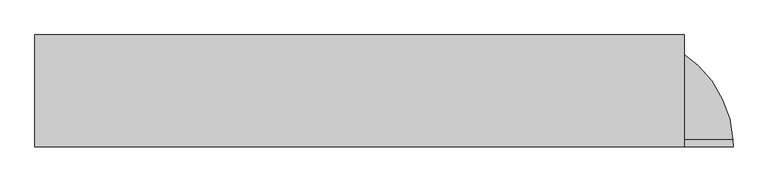
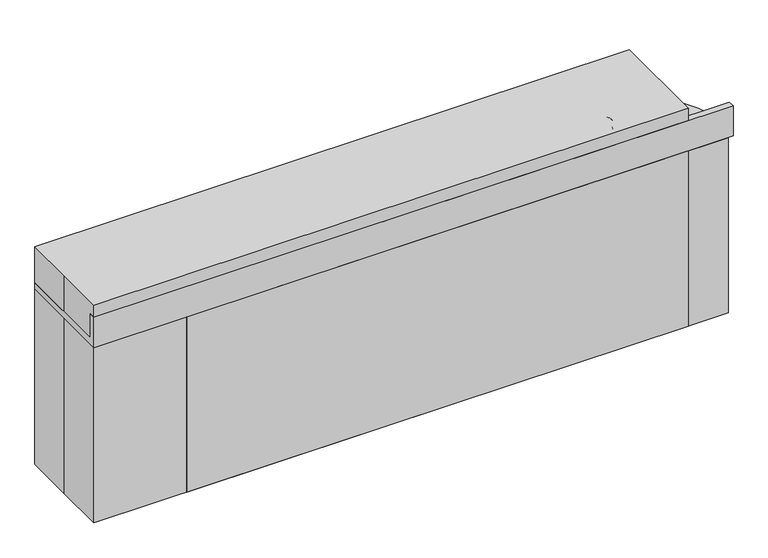
"""IFC4 building model written with IfcOpenShell, lengths in millimetres: proxy geometry."""

from ifc_helpers import new_model, si_unit, point, frame, frame_2d, origin, origin_with_axes, place, context, project, spatial, polyline, circle_curve, ellipse_curve, trimmed, segment, composite_curve, outline, extrude, source, transform, mapped, element, save
from ifc_brep_helpers import plane_surface, cylinder_surface, revolved_surface, advanced_brep


def specialty_equipment_38596de3(model_context):
    return source(origin(), model_context, "Body", "SolidModel", [
        extrude(outline(composite_curve([segment(polyline([(914.4, 171.45), (596.9, 171.45), (596.9, 184.15), (914.4, 184.15)]), True, "CONTINUOUS"), segment(trimmed(circle_curve(frame_2d((914.4, -203.2)), 387.35), [point((914.4, 184.15))], [point((1300.9554733, -178.4030539))], False, "CARTESIAN"), True, "CONTINUOUS"), segment(polyline([(1300.9554733, -178.4030539), (1300.9554733, -184.15), (1288.2297908, -184.15), (1288.2297908, -178.4227922)]), True, "CONTINUOUS"), segment(trimmed(circle_curve(frame_2d((914.4, -203.2)), 374.65), [point((1288.2297908, -178.4227922))], [point((914.4, 171.45))], True, "CARTESIAN"), True, "CONTINUOUS")], self_intersect=False)), origin_with_axes(), (0.0, 0.0, 1.0), 736.6),
        advanced_brep(
        [(882.65, 163.620857, 736.6), (882.65, 152.508357, 736.6), (882.65, -130.066643, 736.6), (882.65, -141.179143, 736.6), (882.65, 150.920857, 735.0125), (882.65, -128.479143, 735.0125), (882.65, 150.920857, 679.45), (882.65, -128.479143, 679.45), (882.65, 100.120857, 628.65), (882.65, 25.3952296, 628.65), (895.1038737, 12.6976148, 628.65), (882.65, 0.0, 628.65), (882.65, -77.679143, 628.65), (869.7038737, 12.6976148, 628.65), (882.65, 157.270857, 625.475), (882.65, 157.270857, 730.25), (882.65, -134.829143, 730.25), (882.65, -134.829143, 625.475), (882.65, 163.620857, 730.25), (882.65, -141.179143, 730.25), (882.65, 0.0, 625.475), (895.1038737, 12.6976148, 625.475), (882.65, 25.3952296, 625.475), (869.7038737, 12.6976148, 625.475)],
        [
            (0, 1),
            (1, 2, circle_curve(frame((882.65, 11.220857, 736.6), z_axis=(0.0, 0.0, -1.0), x_axis=(0.0, -1.0, 0.0)), 141.2875)),
            (2, 3),
            (3, 0, circle_curve(frame((882.65, 11.220857, 736.6), z_axis=(0.0, 0.0, 1.0), x_axis=(0.0, -1.0, 0.0)), 152.4)),
            (2, 1, circle_curve(frame((882.65, 11.220857, 736.6), z_axis=(0.0, 0.0, -1.0), x_axis=(0.0, -1.0, 0.0)), 141.2875)),
            (0, 3, circle_curve(frame((882.65, 11.220857, 736.6), z_axis=(0.0, 0.0, 1.0), x_axis=(0.0, -1.0, 0.0)), 152.4)),
            (1, 4, circle_curve(frame((882.65, 152.508357, 735.0125), z_axis=(1.0, 0.0, 0.0), x_axis=(0.0, 1.0, 0.0)), 1.5875)),
            (4, 5, circle_curve(frame((882.65, 11.220857, 735.0125), z_axis=(0.0, 0.0, -1.0), x_axis=(0.0, -1.0, 0.0)), 139.7)),
            (5, 2, circle_curve(frame((882.65, -130.066643, 735.0125), z_axis=(1.0, 0.0, 0.0), x_axis=(0.0, -1.0, 0.0)), 1.5875)),
            (5, 4, circle_curve(frame((882.65, 11.220857, 735.0125), z_axis=(0.0, 0.0, -1.0), x_axis=(0.0, -1.0, 0.0)), 139.7)),
            (4, 6),
            (6, 7, circle_curve(frame((882.65, 11.220857, 679.45), z_axis=(0.0, 0.0, -1.0), x_axis=(0.0, -1.0, 0.0)), 139.7)),
            (7, 5),
            (7, 6, circle_curve(frame((882.65, 11.220857, 679.45), z_axis=(0.0, 0.0, -1.0), x_axis=(0.0, -1.0, 0.0)), 139.7)),
            (8, 9),
            (9, 10, circle_curve(frame((882.4038737, 12.6976148, 628.65), z_axis=(0.0, 0.0, -1.0), x_axis=(-1.0, 0.0, 0.0)), 12.7)),
            (10, 11, circle_curve(frame((882.4038737, 12.6976148, 628.65), z_axis=(0.0, 0.0, -1.0), x_axis=(-1.0, 0.0, 0.0)), 12.7)),
            (11, 12),
            (12, 8, circle_curve(frame((882.65, 11.220857, 628.65), z_axis=(0.0, 0.0, 1.0), x_axis=(0.0, -1.0, 0.0)), 88.9)),
            (11, 13, circle_curve(frame((882.4038737, 12.6976148, 628.65), z_axis=(0.0, 0.0, -1.0), x_axis=(-1.0, 0.0, 0.0)), 12.7)),
            (13, 9, circle_curve(frame((882.4038737, 12.6976148, 628.65), z_axis=(0.0, 0.0, -1.0), x_axis=(-1.0, 0.0, 0.0)), 12.7)),
            (8, 12, circle_curve(frame((882.65, 11.220857, 628.65), z_axis=(0.0, 0.0, 1.0), x_axis=(0.0, -1.0, 0.0)), 88.9)),
            (14, 15),
            (15, 16, circle_curve(frame((882.65, 11.220857, 730.25), z_axis=(0.0, 0.0, -1.0), x_axis=(0.0, -1.0, 0.0)), 146.05)),
            (16, 17),
            (17, 14, circle_curve(frame((882.65, 11.220857, 625.475), z_axis=(0.0, 0.0, 1.0), x_axis=(0.0, -1.0, 0.0)), 146.05)),
            (16, 15, circle_curve(frame((882.65, 11.220857, 730.25), z_axis=(0.0, 0.0, -1.0), x_axis=(0.0, -1.0, 0.0)), 146.05)),
            (14, 17, circle_curve(frame((882.65, 11.220857, 625.475), z_axis=(0.0, 0.0, 1.0), x_axis=(0.0, -1.0, 0.0)), 146.05)),
            (15, 18),
            (18, 19, circle_curve(frame((882.65, 11.220857, 730.25), z_axis=(0.0, 0.0, -1.0), x_axis=(0.0, -1.0, 0.0)), 152.4)),
            (19, 16),
            (19, 18, circle_curve(frame((882.65, 11.220857, 730.25), z_axis=(0.0, 0.0, -1.0), x_axis=(0.0, -1.0, 0.0)), 152.4)),
            (3, 19),
            (18, 0),
            (17, 20),
            (20, 21, circle_curve(frame((882.4038737, 12.6976148, 625.475), z_axis=(0.0, 0.0, 1.0), x_axis=(-1.0, 0.0, 0.0)), 12.7)),
            (21, 22, circle_curve(frame((882.4038737, 12.6976148, 625.475), z_axis=(0.0, 0.0, 1.0), x_axis=(-1.0, 0.0, 0.0)), 12.7)),
            (22, 14),
            (22, 23, circle_curve(frame((882.4038737, 12.6976148, 625.475), z_axis=(0.0, 0.0, 1.0), x_axis=(-1.0, 0.0, 0.0)), 12.7)),
            (23, 20, circle_curve(frame((882.4038737, 12.6976148, 625.475), z_axis=(0.0, 0.0, 1.0), x_axis=(-1.0, 0.0, 0.0)), 12.7)),
            (6, 8, circle_curve(frame((882.65, 100.120857, 679.45), z_axis=(-1.0, 0.0, 0.0), x_axis=(0.0, 1.0, 0.0)), 50.8)),
            (12, 7, circle_curve(frame((882.65, -77.679143, 679.45), z_axis=(-1.0, 0.0, 0.0), x_axis=(0.0, -1.0, 0.0)), 50.8)),
            (21, 10),
            (13, 23),
        ],
        [
            plane_surface(frame((882.65, 11.220857, 736.6), z_axis=(0.0, 0.0, 1.0), x_axis=(0.0, -1.0, 0.0))),
            revolved_surface(trimmed(ellipse_curve(frame((882.65, -130.066643, 735.0125), z_axis=(1.0, 0.0, 0.0), x_axis=(0.0, -1.0, 0.0)), 1.5875, 1.5875), [point((882.65, -128.479143, 735.0125))], [point((882.65, -130.066643, 736.6))], True, "CARTESIAN"), (882.65, 11.220857, 736.6), (0.0, 0.0, -1.0)),
            revolved_surface(polyline([(882.65, -128.479143, 679.45), (882.65, -128.479143, 735.0125)]), (882.65, 11.220857, 736.6), (0.0, 0.0, -1.0)),
            plane_surface(frame((882.65, 11.220857, 628.65), z_axis=(0.0, 0.0, 1.0), x_axis=(0.0, -1.0, 0.0))),
            cylinder_surface(frame((882.65, 11.220857, 736.6), z_axis=(0.0, 0.0, -1.0), x_axis=(0.0, -1.0, 0.0)), 146.05),
            plane_surface(frame((882.65, 11.220857, 730.25), z_axis=(0.0, 0.0, -1.0), x_axis=(0.0, -1.0, 0.0))),
            cylinder_surface(frame((882.65, 11.220857, 736.6), z_axis=(0.0, 0.0, -1.0), x_axis=(0.0, -1.0, 0.0)), 152.4),
            plane_surface(frame((882.65, 11.220857, 625.475), z_axis=(0.0, 0.0, -1.0), x_axis=(0.0, -1.0, 0.0))),
            revolved_surface(trimmed(ellipse_curve(frame((882.65, -77.679143, 679.45), z_axis=(-1.0, 0.0, 0.0), x_axis=(0.0, -1.0, 0.0)), 50.8, 50.8), [point((882.65, -77.679143, 628.65))], [point((882.65, -128.479143, 679.45))], True, "CARTESIAN"), (882.65, 11.220857, 736.6), (0.0, 0.0, -1.0)),
            revolved_surface(polyline([(869.7038736999999, 12.6976148, 628.65), (869.7038736999999, 12.6976148, 625.475)]), (882.4038737, 12.6976148, 590.55), (0.0, 0.0, 1.0)),
        ],
        [
            (0, [[1, 2, 3, 4]]),
            (0, [[5, -1, 6, -3]]),
            (1, [[7, 8, 9, -2]]),
            (1, [[-9, 10, -7, -5]]),
            (2, [[11, 12, 13, -8]]),
            (2, [[-13, 14, -11, -10]]),
            (3, [[15, 16, 17, 18, 19]]),
            (3, [[-18, 20, 21, -15, 22]]),
            (4, [[23, 24, 25, 26]]),
            (4, [[27, -23, 28, -25]]),
            (5, [[29, 30, 31, -24]]),
            (5, [[-31, 32, -29, -27]]),
            (6, [[33, -30, 34, -4]]),
            (6, [[-34, -32, -33, -6]]),
            (7, [[35, 36, 37, 38, -26]]),
            (7, [[-38, 39, 40, -35, -28]]),
            (8, [[41, -19, 42, -12]]),
            (8, [[-42, -22, -41, -14]]),
            (9, [[-39, -37, 43, -16, -21, 44]]),
            (9, [[-20, -17, -43, -36, -40, -44]]),
        ],
    ),
        extrude(outline(polyline([(184.15, 101.6), (184.15, 736.6), (193.675, 736.6), (193.675, 723.9), (203.2, 723.9), (203.2, 101.6), (184.15, 101.6)])), frame((228.6, 0.0, 0.0), z_axis=(1.0, 0.0, 0.0), x_axis=(0.0, 1.0, 0.0)), (0.0, 0.0, 1.0), 355.6),
        extrude(outline(polyline([(184.15, 101.6), (184.15, 736.6), (193.675, 736.6), (193.675, 723.9), (203.2, 723.9), (203.2, 101.6), (184.15, 101.6)])), frame((-127.0, 0.0, 0.0), z_axis=(1.0, 0.0, 0.0), x_axis=(0.0, 1.0, 0.0)), (0.0, 0.0, 1.0), 355.6),
        extrude(outline(polyline([(193.675, 723.9), (203.2, 723.9), (203.2, 609.6), (184.15, 609.6), (184.15, 736.6), (193.675, 736.6), (193.675, 723.9)])), frame((-482.6, 0.0, 0.0), z_axis=(1.0, 0.0, 0.0), x_axis=(0.0, 1.0, 0.0)), (0.0, 0.0, 1.0), 355.6),
        extrude(outline(polyline([(193.675, 596.9), (203.2, 596.9), (203.2, 482.6), (184.15, 482.6), (184.15, 609.6), (193.675, 609.6), (193.675, 596.9)])), frame((-482.6, 0.0, 0.0), z_axis=(1.0, 0.0, 0.0), x_axis=(0.0, 1.0, 0.0)), (0.0, 0.0, 1.0), 355.6),
        extrude(outline(polyline([(193.675, 469.9), (203.2, 469.9), (203.2, 101.6), (184.15, 101.6), (184.15, 482.6), (193.675, 482.6), (193.675, 469.9)])), frame((-482.6, 0.0, 0.0), z_axis=(1.0, 0.0, 0.0), x_axis=(0.0, 1.0, 0.0)), (0.0, 0.0, 1.0), 355.6),
        extrude(outline(composite_curve([segment(trimmed(circle_curve(frame_2d((844.9020768, -156.0133962)), 12.7), [point((857.6020768, -156.0133962))], [point((832.2020768, -156.0133962))], False, "CARTESIAN"), True, "CONTINUOUS"), segment(trimmed(circle_curve(frame_2d((844.9020768, -156.0133962)), 12.7), [point((832.2020768, -156.0133962))], [point((857.6020768, -156.0133962))], False, "CARTESIAN"), True, "CONTINUOUS")], self_intersect=False)), frame((0.0, 0.0, 762.0), z_axis=(0.0, 0.0, 1.0), x_axis=(1.0, 0.0, 0.0)), (0.0, 0.0, 1.0), 31.75),
        extrude(outline(composite_curve([segment(trimmed(circle_curve(frame_2d((918.1115235, -156.0133962)), 12.7), [point((930.8115235, -156.0133962))], [point((905.4115235, -156.0133962))], False, "CARTESIAN"), True, "CONTINUOUS"), segment(trimmed(circle_curve(frame_2d((918.1115235, -156.0133962)), 12.7), [point((905.4115235, -156.0133962))], [point((930.8115235, -156.0133962))], False, "CARTESIAN"), True, "CONTINUOUS")], self_intersect=False)), frame((0.0, 0.0, 762.0), z_axis=(0.0, 0.0, 1.0), x_axis=(1.0, 0.0, 0.0)), (0.0, 0.0, 1.0), 31.75),
        advanced_brep(
        [(882.234215, -148.0147812, 762.0), (882.234215, -160.7147812, 762.0), (882.234215, -148.0147812, 863.6), (882.234215, -160.7147812, 863.6), (882.234215, -84.5147812, 863.6), (882.234215, -71.8147812, 863.6)],
        [
            (0, 1, circle_curve(frame((882.234215, -154.3647812, 762.0), z_axis=(0.0, 0.0, -1.0), x_axis=(0.0, -1.0, 0.0)), 6.35)),
            (1, 0, circle_curve(frame((882.234215, -154.3647812, 762.0), z_axis=(0.0, 0.0, -1.0), x_axis=(0.0, -1.0, 0.0)), 6.35)),
            (0, 2),
            (2, 3, circle_curve(frame((882.234215, -154.3647812, 863.6), z_axis=(0.0, 0.0, -1.0), x_axis=(0.0, -1.0, 0.0)), 6.35)),
            (3, 1),
            (3, 2, circle_curve(frame((882.234215, -154.3647812, 863.6), z_axis=(0.0, 0.0, -1.0), x_axis=(0.0, -1.0, 0.0)), 6.35)),
            (4, 5, circle_curve(frame((882.234215, -78.1647812, 863.6), z_axis=(0.0, 0.0, -1.0), x_axis=(0.0, 1.0, 0.0)), 6.35)),
            (5, 4, circle_curve(frame((882.234215, -78.1647812, 863.6), z_axis=(0.0, 0.0, -1.0), x_axis=(0.0, 1.0, 0.0)), 6.35)),
            (5, 3, circle_curve(frame((882.234215, -116.2647812, 863.6), z_axis=(1.0, 0.0, 0.0), x_axis=(0.0, -1.0, 0.0)), 44.45)),
            (2, 4, circle_curve(frame((882.234215, -116.2647812, 863.6), z_axis=(-1.0, 0.0, 0.0), x_axis=(0.0, -1.0, 0.0)), 31.75)),
        ],
        [
            plane_surface(frame((793.75, -154.3647812, 762.0), z_axis=(0.0, 0.0, -1.0), x_axis=(-1.0, 0.0, 0.0))),
            cylinder_surface(frame((882.234215, -154.3647812, 762.0), z_axis=(0.0, 0.0, -1.0), x_axis=(0.0, -1.0, 0.0)), 6.35),
            plane_surface(frame((793.75, -78.1647812, 863.6), z_axis=(0.0, 0.0, -1.0), x_axis=(-1.0, 0.0, 0.0))),
            revolved_surface(trimmed(ellipse_curve(frame((882.234215, -154.3647812, 863.6), z_axis=(0.0, 0.0, 1.0), x_axis=(0.0, -1.0, 0.0)), 6.35, 6.35), [point((882.234215, -160.7147812, 863.6))], [point((882.234215, -148.0147812, 863.6))], True, "CARTESIAN"), (793.75, -116.2647812, 863.6), (1.0, 0.0, 0.0)),
            revolved_surface(trimmed(ellipse_curve(frame((882.234215, -154.3647812, 863.6), z_axis=(0.0, 0.0, 1.0), x_axis=(0.0, -1.0, 0.0)), 6.35, 6.35), [point((882.234215, -148.0147812, 863.6))], [point((882.234215, -160.7147812, 863.6))], True, "CARTESIAN"), (793.75, -116.2647812, 863.6), (1.0, 0.0, 0.0)),
        ],
        [
            (0, [[1, 2]]),
            (1, [[3, 4, 5, -1]]),
            (1, [[-5, 6, -3, -2]]),
            (2, [[7, 8]]),
            (3, [[-8, 9, -4, 10]]),
            (4, [[-7, -10, -6, -9]]),
        ],
    ),
        extrude(outline(polyline([(193.675, 723.9), (203.2, 723.9), (203.2, 584.2), (184.15, 584.2), (184.15, 736.6), (193.675, 736.6), (193.675, 723.9)])), frame((-838.2, 0.0, 0.0), z_axis=(1.0, 0.0, 0.0), x_axis=(0.0, 1.0, 0.0)), (0.0, 0.0, 1.0), 355.6),
        extrude(outline(polyline([(193.675, 571.5), (203.2, 571.5), (203.2, 508.0), (184.15, 508.0), (184.15, 584.2), (193.675, 584.2), (193.675, 571.5)])), frame((-838.2, 0.0, 0.0), z_axis=(1.0, 0.0, 0.0), x_axis=(0.0, 1.0, 0.0)), (0.0, 0.0, 1.0), 355.6),
        extrude(outline(polyline([(193.675, 495.3), (203.2, 495.3), (203.2, 406.4), (184.15, 406.4), (184.15, 508.0), (193.675, 508.0), (193.675, 495.3)])), frame((-838.2, 0.0, 0.0), z_axis=(1.0, 0.0, 0.0), x_axis=(0.0, 1.0, 0.0)), (0.0, 0.0, 1.0), 355.6),
        extrude(outline(polyline([(193.675, 393.7), (203.2, 393.7), (203.2, 304.8), (184.15, 304.8), (184.15, 406.4), (193.675, 406.4), (193.675, 393.7)])), frame((-838.2, 0.0, 0.0), z_axis=(1.0, 0.0, 0.0), x_axis=(0.0, 1.0, 0.0)), (0.0, 0.0, 1.0), 355.6),
        extrude(outline(polyline([(193.675, 292.1), (203.2, 292.1), (203.2, 101.6), (184.15, 101.6), (184.15, 304.8), (193.675, 304.8), (193.675, 292.1)])), frame((-838.2, 0.0, 0.0), z_axis=(1.0, 0.0, 0.0), x_axis=(0.0, 1.0, 0.0)), (0.0, 0.0, 1.0), 355.6),
        advanced_brep(
        [(-1219.2, -177.8, 863.6), (-1219.2, -177.8, 762.0), (-1219.2, 203.2, 762.0), (-1219.2, 203.2, 736.6), (-1219.2, -203.2, 736.6), (-1219.2, -203.2, 863.6), (1320.0054733, -177.8, 863.6), (1320.0054733, -177.8, 762.0), (914.4, 203.2, 762.0), (1022.2434133, 9.525, 762.0), (742.8434133, 9.525, 762.0), (914.4, 203.2, 736.6), (1320.8, -203.2, 736.6), (742.8434133, 9.525, 736.6), (1022.2434133, 9.525, 736.6), (1320.8, -203.2, 863.6)],
        [
            (0, 1),
            (1, 2),
            (2, 3),
            (3, 4),
            (4, 5),
            (5, 0),
            (0, 6),
            (6, 7),
            (7, 1),
            (7, 8, circle_curve(frame((914.4, -203.2, 762.0), z_axis=(0.0, 0.0, 1.0), x_axis=(1.0, 0.0, 0.0)), 406.4)),
            (8, 2),
            (9, 10, circle_curve(frame((882.5434133, 9.525, 762.0), z_axis=(0.0, 0.0, -1.0), x_axis=(-1.0, 0.0, 0.0)), 139.7)),
            (10, 9, circle_curve(frame((882.5434133, 9.525, 762.0), z_axis=(0.0, 0.0, -1.0), x_axis=(-1.0, 0.0, 0.0)), 139.7)),
            (8, 11),
            (11, 3),
            (11, 12, circle_curve(frame((914.4, -203.2, 736.6), z_axis=(0.0, 0.0, -1.0), x_axis=(1.0, 0.0, 0.0)), 406.4)),
            (12, 4),
            (13, 14, circle_curve(frame((882.5434133, 9.525, 736.6), z_axis=(0.0, 0.0, 1.0), x_axis=(-1.0, 0.0, 0.0)), 139.7)),
            (14, 13, circle_curve(frame((882.5434133, 9.525, 736.6), z_axis=(0.0, 0.0, 1.0), x_axis=(-1.0, 0.0, 0.0)), 139.7)),
            (12, 15),
            (15, 5),
            (15, 6, circle_curve(frame((914.4, -203.2, 863.6), z_axis=(0.0, 0.0, 1.0), x_axis=(1.0, 0.0, 0.0)), 406.4)),
            (10, 13),
            (14, 9),
        ],
        [
            plane_surface(frame((-1219.2, -177.8, 762.0), z_axis=(-1.0, 0.0, 0.0), x_axis=(0.0, 0.0, 1.0))),
            plane_surface(frame((1320.8, -177.8, 863.6), z_axis=(0.0, 1.0, 0.0), x_axis=(-1.0, 0.0, 0.0))),
            plane_surface(frame((1320.8, -177.8, 762.0), z_axis=(0.0, 0.0, 1.0), x_axis=(-1.0, 0.0, 0.0))),
            plane_surface(frame((1320.8, 203.2, 762.0), z_axis=(0.0, 1.0, 0.0), x_axis=(-1.0, 0.0, 0.0))),
            plane_surface(frame((1320.8, 203.2, 736.6), z_axis=(0.0, 0.0, -1.0), x_axis=(-1.0, 0.0, 0.0))),
            plane_surface(frame((1320.8, -203.2, 736.6), z_axis=(0.0, -1.0, 0.0), x_axis=(-1.0, 0.0, 0.0))),
            plane_surface(frame((1320.8, -203.2, 863.6), z_axis=(0.0, 0.0, 1.0), x_axis=(-1.0, 0.0, 0.0))),
            revolved_surface(polyline([(742.8434133000001, 9.525, 762.0), (742.8434133000001, 9.525, 736.6)]), (882.5434133, 9.525, 736.6), (0.0, 0.0, 1.0)),
            cylinder_surface(frame((914.4, -203.2, 736.6), z_axis=(0.0, 0.0, -1.0), x_axis=(1.0, 0.0, 0.0)), 406.4),
        ],
        [
            (0, [[1, 2, 3, 4, 5, 6]]),
            (1, [[7, 8, 9, -1]]),
            (2, [[-9, 10, 11, -2], [12, 13]]),
            (3, [[-11, 14, 15, -3]]),
            (4, [[-15, 16, 17, -4], [18, 19]]),
            (5, [[-17, 20, 21, -5]]),
            (6, [[-21, 22, -7, -6]]),
            (7, [[-13, 23, -19, 24]]),
            (7, [[-18, -23, -12, -24]]),
            (8, [[-22, -20, -16, -14, -10, -8]]),
        ],
    ),
        extrude(outline(polyline([(-1219.2, -203.2), (-1219.2, 0.0), (-1219.2, 203.2), (1143.0, 203.2), (1143.0, -203.2), (-1219.2, -203.2)])), origin_with_axes(), (0.0, 0.0, 1.0), 914.4),
        extrude(outline(polyline([(-184.15, 736.6), (184.15, 736.6), (184.15, 101.6), (165.1, 101.6), (165.1, 0.0), (-184.15, 0.0), (-184.15, 736.6)])), frame((584.2, 0.0, 0.0), z_axis=(1.0, 0.0, 0.0), x_axis=(0.0, 1.0, 0.0)), (0.0, 0.0, 1.0), 12.7),
        extrude(outline(polyline([(1300.9554733, -184.15), (1300.9554733, -203.2), (-850.9, -203.2), (-850.9, -184.15), (1300.9554733, -184.15)])), origin_with_axes(), (0.0, 0.0, 1.0), 736.6),
        extrude(outline(polyline([(-117.475, -184.15), (-136.525, -184.15), (-136.525, 184.15), (-117.475, 184.15), (-117.475, -184.15)])), frame((0.0, 0.0, 120.7166954), z_axis=(0.0, 0.0, 1.0), x_axis=(1.0, 0.0, 0.0)), (0.0, 0.0, 1.0), 615.8833046),
        extrude(outline(polyline([(-184.15, 736.6), (184.15, 736.6), (184.15, 101.6), (165.1, 101.6), (165.1, 0.0), (-184.15, 0.0), (-184.15, 736.6)])), frame((-850.9, 0.0, 0.0), z_axis=(1.0, 0.0, 0.0), x_axis=(0.0, 1.0, 0.0)), (0.0, 0.0, 1.0), 12.7),
        extrude(outline(polyline([(-473.075, -184.15), (-492.125, -184.15), (-492.125, 184.15), (-473.075, 184.15), (-473.075, -184.15)])), frame((0.0, 0.0, 120.7166954), z_axis=(0.0, 0.0, 1.0), x_axis=(1.0, 0.0, 0.0)), (0.0, 0.0, 1.0), 615.8833046),
        extrude(outline(polyline([(596.9, 184.15), (596.9, 165.1), (-850.9, 165.1), (-850.9, 184.15), (596.9, 184.15)])), origin_with_axes(), (0.0, 0.0, 1.0), 101.6),
        extrude(outline(polyline([(-838.2, -184.15), (-838.2, 184.15), (584.2, 184.15), (584.2, -184.15), (-838.2, -184.15)])), frame((0.0, 0.0, 101.6), z_axis=(0.0, 0.0, 1.0), x_axis=(1.0, 0.0, 0.0)), (0.0, 0.0, 1.0), 19.1166954),
    ])


if __name__ == "__main__":
    model = new_model("IFC4")
    model_context = context("Model", 3, world=origin())
    ifc_project = project(units=[si_unit("LENGTHUNIT", "METRE", prefix="MILLI")], contexts=[model_context])
    site = spatial("IfcSite", under=ifc_project)
    building = spatial("IfcBuilding", under=site)
    placement = place(None, origin())
    specialty_equipment_shape = specialty_equipment_38596de3(model_context)
    element("IfcBuildingElementProxy", 1, Name="Specialty Equipment", at=placement, inside=building, context=model_context, shape_type="MappedRepresentation", body=[
        mapped(specialty_equipment_shape, transform((0.0, 0.0, 0.0), x_axis=(1.0, 0.0, 0.0), y_axis=(0.0, 1.0, 0.0), z_axis=(0.0, 0.0, 1.0))),
    ])
    save(model, "model.ifc")
